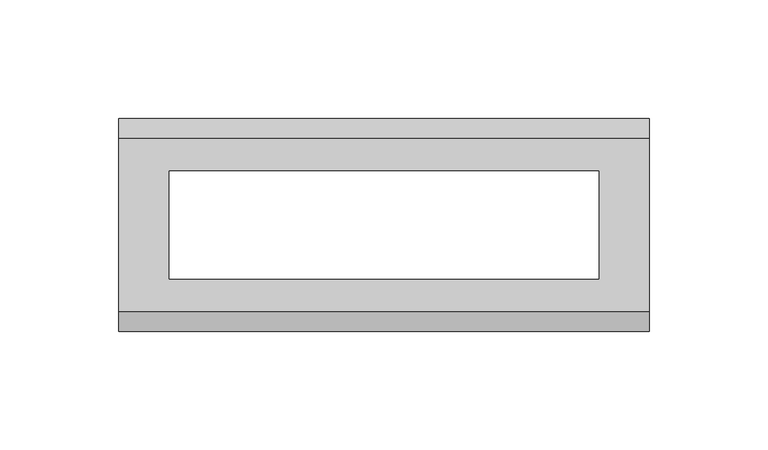
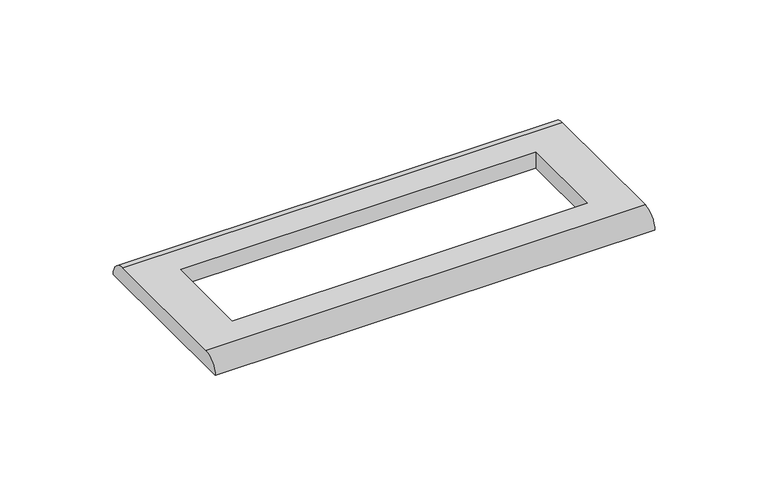
"""IFC4 building model written with IfcOpenShell, lengths in millimetres: proxy geometry."""

from ifc_helpers import new_model, si_unit, frame, origin, place, context, project, spatial, circle_curve, source, transform, mapped, element, save
from ifc_brep_helpers import plane_surface, cylinder_surface, advanced_brep


def electrical_fixtures_17722c2f(model_context):
    return source(origin(), model_context, "Body", "AdvancedBrep", [
        advanced_brep(
        [(112.0, 36.5, 8.5), (-112.0, 36.5, 8.5), (-112.0, -36.5, 8.5), (112.0, -36.5, 8.5), (-90.5, 22.75, 8.5), (90.5, 22.75, 8.5), (90.5, -22.75, 8.5), (-90.5, -22.75, 8.5), (112.0, 45.0, 0.0), (112.0, -45.0, 0.0), (-112.0, -45.0, 0.0), (-112.0, 45.0, 0.0), (90.5, 22.75, 0.0), (-90.5, 22.75, 0.0), (-90.5, -22.75, 0.0), (90.5, -22.75, 0.0)],
        [
            (0, 1),
            (1, 2),
            (2, 3),
            (3, 0),
            (4, 5),
            (5, 6),
            (6, 7),
            (7, 4),
            (8, 9),
            (9, 10),
            (10, 11),
            (11, 8),
            (12, 13),
            (13, 14),
            (14, 15),
            (15, 12),
            (10, 2, circle_curve(frame((-112.0, -36.5, 0.0), z_axis=(-1.0, 0.0, 0.0), x_axis=(0.0, 1.0, 0.0)), 8.5)),
            (1, 11, circle_curve(frame((-112.0, 36.5, 0.0), z_axis=(-1.0, 0.0, 0.0), x_axis=(0.0, -1.0, 0.0)), 8.5)),
            (8, 0, circle_curve(frame((112.0, 36.5, 0.0), z_axis=(1.0, 0.0, 0.0), x_axis=(0.0, -1.0, 0.0)), 8.5)),
            (3, 9, circle_curve(frame((112.0, -36.5, 0.0), z_axis=(1.0, 0.0, 0.0), x_axis=(0.0, 1.0, 0.0)), 8.5)),
            (4, 13),
            (12, 5),
            (7, 14),
            (6, 15),
        ],
        [
            plane_surface(frame((-112.0, 37.0, 8.5), z_axis=(0.0, 0.0, 1.0), x_axis=(0.0, -1.0, 0.0))),
            plane_surface(frame((-112.0, 37.0, 0.0), z_axis=(0.0, 0.0, -1.0), x_axis=(0.0, 1.0, 0.0))),
            plane_surface(frame((-112.0, 45.0, 8.5), z_axis=(-1.0, 0.0, 0.0), x_axis=(0.0, 0.0, -1.0))),
            plane_surface(frame((112.0, -45.0, 8.5), z_axis=(1.0, 0.0, 0.0), x_axis=(0.0, 0.0, -1.0))),
            plane_surface(frame((90.5, 22.75, 8.5), z_axis=(0.0, -1.0, 0.0), x_axis=(0.0, 0.0, -1.0))),
            plane_surface(frame((-90.5, 22.75, 8.5), z_axis=(1.0, 0.0, 0.0), x_axis=(0.0, 0.0, -1.0))),
            plane_surface(frame((-90.5, -22.75, 8.5), z_axis=(0.0, 1.0, 0.0), x_axis=(0.0, 0.0, -1.0))),
            plane_surface(frame((90.5, -22.75, 8.5), z_axis=(-1.0, 0.0, 0.0), x_axis=(0.0, 0.0, -1.0))),
            cylinder_surface(frame((112.0, 36.5, 0.0), z_axis=(-1.0, 0.0, 0.0), x_axis=(0.0, -1.0, 0.0)), 8.5),
            cylinder_surface(frame((112.0, -36.5, 0.0), z_axis=(-1.0, 0.0, 0.0), x_axis=(0.0, 1.0, 0.0)), 8.5),
        ],
        [
            (0, [[1, 2, 3, 4], [5, 6, 7, 8]]),
            (1, [[9, 10, 11, 12], [13, 14, 15, 16]]),
            (2, [[-11, 17, -2, 18]]),
            (3, [[-9, 19, -4, 20]]),
            (4, [[21, -13, 22, -5]]),
            (5, [[-21, -8, 23, -14]]),
            (6, [[-23, -7, 24, -15]]),
            (7, [[-22, -16, -24, -6]]),
            (8, [[-1, -19, -12, -18]]),
            (9, [[-3, -17, -10, -20]]),
        ],
    ),
    ])


if __name__ == "__main__":
    model = new_model("IFC4")
    model_context = context("Model", 3, world=origin())
    ifc_project = project(units=[si_unit("LENGTHUNIT", "METRE", prefix="MILLI")], contexts=[model_context])
    site = spatial("IfcSite", under=ifc_project)
    building = spatial("IfcBuilding", under=site)
    placement = place(None, origin())
    electrical_fixtures_shape = electrical_fixtures_17722c2f(model_context)
    element("IfcBuildingElementProxy", 1, Name="Electrical Fixtures", at=placement, inside=building, context=model_context, shape_type="MappedRepresentation", body=[
        mapped(electrical_fixtures_shape, transform((0.0, 0.0, 0.0), x_axis=(1.0, 0.0, 0.0), y_axis=(0.0, 1.0, 0.0), z_axis=(0.0, 0.0, 1.0))),
    ])
    save(model, "model.ifc")
